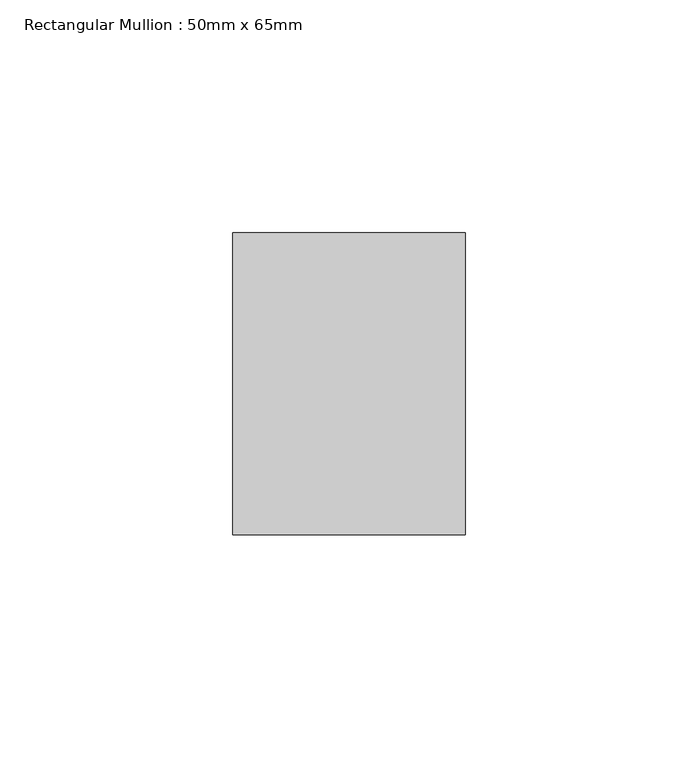
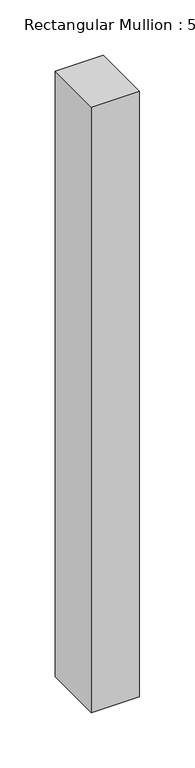
"""IFC4 building model written with IfcOpenShell, lengths in millimetres: member geometry, Rectangular Mullion : 50mm x 65mm."""

import ifcopenshell
import ifcopenshell.guid

model = None  # the IFC model being written
_history = None  # IfcOwnerHistory: only IFC2X3 demands one
_inside = {}  # id of a spatial element -> (the spatial element, [elements in it])
_under = {}  # id of a project, library or spatial element -> (it, [spatial elements below it])
_declared = {}  # id of a project -> (the project, [libraries it declares])
_typed = {}  # id of a type object -> (the type object, [elements of that type])
_made_of = {}  # id of a material, layer set ... -> (it, [elements and type objects made of it])


def new_model(schema):
    """Start an empty IFC model of exactly this schema.

    Asked for "IFC4X3", IfcOpenShell would pick the latest addendum, in which some entities
    have other attributes; the version numbers below select the first issue.
    IFC2X3 requires an IfcOwnerHistory on every rooted entity: one is made here for all.
    """
    global model, _history
    if schema == "IFC4X3":
        model = ifcopenshell.file(schema_version=(4, 3, 0, 0))
    else:
        model = ifcopenshell.file(schema=schema)
    _inside.clear()
    _under.clear()
    _declared.clear()
    _typed.clear()
    _made_of.clear()
    _history = None
    if model.schema == "IFC2X3":
        org = make("IfcOrganization", Name="unknown")
        user = make(
            "IfcPersonAndOrganization",
            ThePerson=make("IfcPerson", FamilyName="unknown"),
            TheOrganization=org,
        )
        app = make(
            "IfcApplication",
            ApplicationDeveloper=org,
            Version="unknown",
            ApplicationFullName="unknown",
            ApplicationIdentifier="unknown",
        )
        _history = make(
            "IfcOwnerHistory",
            OwningUser=user,
            OwningApplication=app,
            ChangeAction="ADDED",
            CreationDate=0,
        )
    return model


def make(cls, **values):
    """One entity of the class cls with the attributes given. An attribute that is None is left unset."""
    return model.create_entity(
        cls, **{name: value for name, value in values.items() if value is not None}
    )


def rooted(cls, **values):
    """An entity with a GlobalId (a new one), such as an element, a storey or a relation."""
    return make(cls, GlobalId=ifcopenshell.guid.new(), OwnerHistory=_history, **values)


def si_unit(unit_type, name, prefix=None):
    """IfcSIUnit, for example si_unit("LENGTHUNIT", "METRE", prefix="MILLI")."""
    return make("IfcSIUnit", UnitType=unit_type, Prefix=prefix, Name=name)


def assignment(units):
    """IfcUnitAssignment: the units of a project."""
    return None if units is None else make("IfcUnitAssignment", Units=units)


def point(xyz):
    """IfcCartesianPoint."""
    return None if xyz is None else make("IfcCartesianPoint", Coordinates=xyz)


def direction(xyz):
    """IfcDirection."""
    return None if xyz is None else make("IfcDirection", DirectionRatios=xyz)


def frame(location, z_axis=None, x_axis=None):
    """IfcAxis2Placement3D, a coordinate frame: its origin and axes. An axis left out is left unset."""
    return make(
        "IfcAxis2Placement3D",
        Location=point(location),
        Axis=direction(z_axis),
        RefDirection=direction(x_axis),
    )


def origin():
    """The frame at (0, 0, 0) with its axes left unset."""
    return frame((0.0, 0.0, 0.0))


def place(relative_to, where):
    """IfcLocalPlacement: puts the frame where relative to a parent placement (None: the world)."""
    return make(
        "IfcLocalPlacement", PlacementRelTo=relative_to, RelativePlacement=where
    )


def context(
    kind, dimensions, precision=None, world=None, true_north=None, identifier=None
):
    """IfcGeometricRepresentationContext, for example the 3D "Model" context."""
    return make(
        "IfcGeometricRepresentationContext",
        ContextIdentifier=identifier,
        ContextType=kind,
        CoordinateSpaceDimension=dimensions,
        Precision=precision,
        WorldCoordinateSystem=world,
        TrueNorth=true_north,
    )


def project(units=None, contexts=None):
    """IfcProject with its units and contexts."""
    return rooted(
        "IfcProject",
        Name="project",
        RepresentationContexts=contexts,
        UnitsInContext=assignment(units),
    )


def spatial(cls, under=None, at=None, **own):
    """A site, building, storey or space (cls), placed at a placement, below another one or the project."""
    s = rooted(cls, ObjectPlacement=at, **own)
    if under is not None:
        _under.setdefault(under.id(), (under, []))[1].append(s)
    return s


def polyline(points):
    """IfcPolyline through the points."""
    return make("IfcPolyline", Points=[point(p) for p in points])


def outline(outer, holes=None, kind="AREA"):
    """IfcArbitraryClosedProfileDef: a profile drawn as a closed curve; with holes, ...WithVoids."""
    if holes is None:
        return make("IfcArbitraryClosedProfileDef", ProfileType=kind, OuterCurve=outer)
    return make(
        "IfcArbitraryProfileDefWithVoids",
        ProfileType=kind,
        OuterCurve=outer,
        InnerCurves=holes,
    )


def extrude(swept, where, along, depth):
    """IfcExtrudedAreaSolid: the profile swept, set in the frame where, extruded along a direction by depth."""
    return make(
        "IfcExtrudedAreaSolid",
        SweptArea=swept,
        Position=where,
        ExtrudedDirection=direction(along),
        Depth=depth,
    )


def shape(context_of_items, identifier, shape_type, items):
    """IfcShapeRepresentation: the items that make up one representation, for example the "Body"."""
    return make(
        "IfcShapeRepresentation",
        ContextOfItems=context_of_items,
        RepresentationIdentifier=identifier,
        RepresentationType=shape_type,
        Items=items,
    )


def source(mapping_origin, context_of_items, identifier, shape_type, items):
    """IfcRepresentationMap: a shape defined once, which mapped items show again and again."""
    return make(
        "IfcRepresentationMap",
        MappingOrigin=mapping_origin,
        MappedRepresentation=shape(context_of_items, identifier, shape_type, items),
    )


def transform(
    local_origin,
    x_axis=None,
    y_axis=None,
    z_axis=None,
    scale=None,
    scale2=None,
    scale3=None,
    uniform=True,
):
    """IfcCartesianTransformationOperator3D, or its non-uniform kind. x_axis, y_axis, z_axis: its Axis1, 2, 3."""
    if uniform:
        return make(
            "IfcCartesianTransformationOperator3D",
            Axis1=direction(x_axis),
            Axis2=direction(y_axis),
            LocalOrigin=point(local_origin),
            Scale=scale,
            Axis3=direction(z_axis),
        )
    return make(
        "IfcCartesianTransformationOperator3DnonUniform",
        Axis1=direction(x_axis),
        Axis2=direction(y_axis),
        LocalOrigin=point(local_origin),
        Scale=scale,
        Axis3=direction(z_axis),
        Scale2=scale2,
        Scale3=scale3,
    )


def mapped(mapping_source, mapping_target):
    """IfcMappedItem: shows the shape of a source again, moved by a transform."""
    return make(
        "IfcMappedItem", MappingSource=mapping_source, MappingTarget=mapping_target
    )


def made_of(thing, what):
    """Note that an element or type object is made of a material, layer set ...; save() writes the relation."""
    if what is not None:
        _made_of.setdefault(what.id(), (what, []))[1].append(thing)
    return thing


def element(
    cls,
    number,
    at=None,
    inside=None,
    cuts=None,
    type_object=None,
    material=None,
    context=None,
    identifier="Body",
    shape_type=None,
    held_by="IfcProductDefinitionShape",
    body=None,
    shapes=None,
    **own,
):
    """One element of the class cls, such as IfcWall. Its Tag is "e" and its number.

    at: its placement. inside: the storey or other place that contains it. cuts: it is an
    opening in that element (IfcRelVoidsElement). A single representation is given by context,
    identifier, shape_type and body (its items); several are given by shapes. held_by: the class
    of the entity that holds the representations. save() writes the other relations.
    """
    e = rooted(cls, Tag="e%d" % number, ObjectPlacement=at, **own)
    if body is not None:
        shapes = [shape(context, identifier, shape_type, body)]
    if shapes is not None:
        e.Representation = make(held_by, Representations=shapes)
    if inside is not None:
        _inside.setdefault(inside.id(), (inside, []))[1].append(e)
    if cuts is not None:
        rooted(
            "IfcRelVoidsElement", RelatingBuildingElement=cuts, RelatedOpeningElement=e
        )
    if type_object is not None:
        _typed.setdefault(type_object.id(), (type_object, []))[1].append(e)
    return made_of(e, material)


def aggregate(whole, parts):
    """IfcRelAggregates: a whole, such as a stair, and the parts it consists of."""
    return rooted("IfcRelAggregates", RelatingObject=whole, RelatedObjects=parts)


def save(model, path):
    """Write the relations noted so far, then the file.

    IfcRelAggregates (storeys below a building ...), IfcRelContainedInSpatialStructure (elements
    in a storey), IfcRelDefinesByType, IfcRelAssociatesMaterial and IfcRelDeclares: one each for
    every whole, place, type object, material and project.
    """
    for whole, parts in _under.values():
        aggregate(whole, parts)
    for where, things in _inside.values():
        rooted(
            "IfcRelContainedInSpatialStructure",
            RelatedElements=things,
            RelatingStructure=where,
        )
    for kind, things in _typed.values():
        rooted("IfcRelDefinesByType", RelatedObjects=things, RelatingType=kind)
    for what, things in _made_of.values():
        rooted("IfcRelAssociatesMaterial", RelatedObjects=things, RelatingMaterial=what)
    for by, libraries in _declared.values():
        rooted("IfcRelDeclares", RelatingContext=by, RelatedDefinitions=libraries)
    model.write(path)


def rectangular_mullion_50mm_x_65mm_72af7f90(model_context):
    return source(origin(), model_context, "Body", "SweptSolid", [
        extrude(outline(polyline([(25.0, 32.5), (25.0, -32.5), (-25.0, -32.5), (-25.0, 32.5), (25.0, 32.5)])), frame((0.0, 0.0, -667.5403467), z_axis=(0.0, 0.0, 1.0), x_axis=(1.0, 0.0, 0.0)), (0.0, 0.0, 1.0), 667.5403467),
    ])


if __name__ == "__main__":
    model = new_model("IFC4")
    model_context = context("Model", 3, world=origin())
    ifc_project = project(units=[si_unit("LENGTHUNIT", "METRE", prefix="MILLI")], contexts=[model_context])
    site = spatial("IfcSite", under=ifc_project)
    building = spatial("IfcBuilding", under=site)
    placement = place(None, origin())
    rectangular_mullion_50mm_x_65mm_shape = rectangular_mullion_50mm_x_65mm_72af7f90(model_context)
    element("IfcMember", 1, ObjectType="Rectangular Mullion : 50mm x 65mm", at=placement, inside=building, context=model_context, shape_type="MappedRepresentation", body=[
        mapped(rectangular_mullion_50mm_x_65mm_shape, transform((0.0, 0.0, 0.0), x_axis=(1.0, 0.0, 0.0), y_axis=(0.0, 1.0, 0.0), z_axis=(0.0, 0.0, 1.0))),
    ])
    save(model, "model.ifc")
